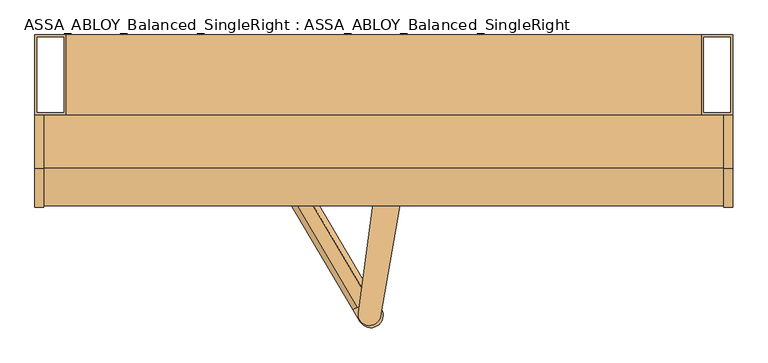
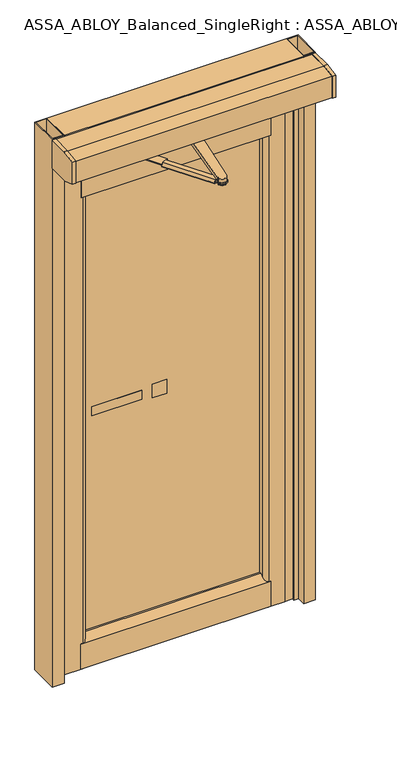
"""IFC4 building model written with IfcOpenShell, lengths in millimetres: door geometry, ASSA_ABLOY_Balanced_SingleRight : ASSA_ABLOY_Balanced_SingleRight."""

from ifc_helpers import new_model, si_unit, point, frame, frame_2d, origin, origin_with_axes, place, context, project, spatial, polyline, circle_curve, trimmed, segment, composite_curve, outline, extrude, source, transform, mapped, element, save
from ifc_brep_helpers import plane_surface, cylinder_surface, spline_surface, advanced_brep


def assa_abloy_balanced_singleright_assa_abloy_balanced_93a47e2f(model_context):
    return source(origin(), model_context, "Body", "SolidModel", [
        extrude(outline(polyline([(-309.6398593, 322.5413603), (-119.6398593, 322.5413603), (-119.6398593, 314.5412672), (-309.6398593, 314.5412672), (-309.6398593, 322.5413603)])), frame((0.0, 0.0, 981.5), z_axis=(0.0, 0.0, 1.0), x_axis=(1.0, 0.0, 0.0)), (0.0, 0.0, 1.0), 36.000001),
        extrude(outline(polyline([(-79.6398593, 322.5413603), (-24.6398593, 322.5413603), (-24.6398593, 314.5412672), (-79.6398593, 314.5412672), (-79.6398593, 322.5413603)])), frame((0.0, 0.0, 972.0), z_axis=(0.0, 0.0, 1.0), x_axis=(1.0, 0.0, 0.0)), (0.0, 0.0, 1.0), 54.9999995),
        extrude(outline(polyline([(-223.6999313, 276.4714979), (-223.6999313, 278.4707945), (-159.7003494, 278.4707945), (-159.7003494, 276.4714979), (-223.6999313, 276.4714979)])), frame((0.0, 0.0, 2026.0), z_axis=(0.0, 0.0, 1.0), x_axis=(1.0, 0.0, 0.0)), (0.0, 0.0, 1.0), 25.0),
        advanced_brep(
        [(19.200849, 217.8320723, 2038.0000229), (28.5607428, 210.3226469, 2038.0000229), (26.7364356, 198.4623243, 2038.0000229), (15.5533973, 194.1108458, 2038.0000229), (6.1935035, 201.6202711, 2038.0000229), (8.016648, 213.4811751, 2038.0000229), (19.960105, 222.7742125, 2043.0000084), (4.116886, 216.6100538, 2043.0000084), (1.5344855, 199.8070097, 2043.0000084), (14.7941413, 189.1687056, 2043.0000084), (30.6373603, 195.3334456, 2043.0000084), (33.2197608, 212.1359083, 2043.0000084)],
        [
            (0, 1),
            (1, 2),
            (2, 3),
            (3, 4),
            (4, 5),
            (5, 0),
            (6, 7),
            (7, 8),
            (8, 9),
            (9, 10),
            (10, 11),
            (11, 6),
            (11, 1),
            (0, 6),
            (10, 2),
            (9, 3),
            (8, 4),
            (7, 5),
        ],
        [
            plane_surface(frame((17.3769294, 205.9715559, 2038.0000229), z_axis=(0.0, 0.0, -1.0), x_axis=(-0.15192612714216885, -0.9883918513886998, 0.0))),
            plane_surface(frame((17.3771231, 205.9715559, 2043.0000084), z_axis=(0.0, 0.0, 1.0), x_axis=(-0.15192612714216885, -0.9883918513886998, 0.0))),
            spline_surface(1, 1, [[(19.960105, 222.7742125, 2043.0000084), (19.200849, 217.8320723, 2038.0000229)], [(33.2197608, 212.1359083, 2043.0000084), (28.5607428, 210.3226469, 2038.0000229)]], [2, 2], [2, 2], [0.0, 1.0], [0.0, 1.0]),
            spline_surface(1, 1, [[(33.2197608, 212.1359083, 2043.0000084), (28.5607428, 210.3226469, 2038.0000229)], [(30.6373603, 195.3334456, 2043.0000084), (26.7364356, 198.4623243, 2038.0000229)]], [2, 2], [2, 2], [0.0, 1.0], [0.0, 1.0]),
            spline_surface(1, 1, [[(30.6373603, 195.3334456, 2043.0000084), (26.7364356, 198.4623243, 2038.0000229)], [(14.7941413, 189.1687056, 2043.0000084), (15.5533973, 194.1108458, 2038.0000229)]], [2, 2], [2, 2], [0.0, 1.0], [0.0, 1.0]),
            spline_surface(1, 1, [[(14.7941413, 189.1687056, 2043.0000084), (15.5533973, 194.1108458, 2038.0000229)], [(1.5344855, 199.8070097, 2043.0000084), (6.1935035, 201.6202711, 2038.0000229)]], [2, 2], [2, 2], [0.0, 1.0], [0.0, 1.0]),
            spline_surface(1, 1, [[(1.5344855, 199.8070097, 2043.0000084), (6.1935035, 201.6202711, 2038.0000229)], [(4.116886, 216.6100538, 2043.0000084), (8.016648, 213.4811751, 2038.0000229)]], [2, 2], [2, 2], [0.0, 1.0], [0.0, 1.0]),
            spline_surface(1, 1, [[(4.116886, 216.6100538, 2043.0000084), (8.016648, 213.4811751, 2038.0000229)], [(19.960105, 222.7742125, 2043.0000084), (19.200849, 217.8320723, 2038.0000229)]], [2, 2], [2, 2], [0.0, 1.0], [0.0, 1.0]),
        ],
        [
            (0, [[1, 2, 3, 4, 5, 6]]),
            (1, [[7, 8, 9, 10, 11, 12]]),
            (2, [[-12, 13, -1, 14]]),
            (3, [[-11, 15, -2, -13]]),
            (4, [[-10, 16, -3, -15]]),
            (5, [[-9, 17, -4, -16]]),
            (6, [[-8, 18, -5, -17]]),
            (7, [[-7, -14, -6, -18]]),
        ],
    ),
        extrude(outline(polyline([(19.200849, 217.8320723), (28.5607428, 210.3226469), (26.7364356, 198.4623243), (15.5533973, 194.1108458), (6.1935035, 201.6202711), (8.016648, 213.4811751), (19.200849, 217.8320723)])), frame((0.0, 0.0, 2081.9999535), z_axis=(0.0, 0.0, 1.0), x_axis=(1.0, 0.0, 0.0)), (0.0, 0.0, 1.0), 3.0001076),
        extrude(outline(polyline([(14.641825, 188.1803938), (0.6019843, 199.4448225), (3.3367011, 217.2355971), (20.1124213, 223.7625242), (34.152262, 212.4986769), (31.4175452, 194.707321), (14.641825, 188.1803938)])), frame((0.0, 0.0, 2057.0000259), z_axis=(0.0, 0.0, 1.0), x_axis=(1.0, 0.0, 0.0)), (0.0, 0.0, 1.0), 24.9999275),
        advanced_brep(
        [(38.1334143, 202.7806654, 2057.0), (-3.441747, 208.6928662, 2057.0), (-36.4236168, -38.6943669, 2057.0), (-4.7953607, -43.556624, 2057.0), (38.1334143, 202.7806654, 2043.0), (-4.7953607, -43.556624, 2043.0), (-36.4236168, -38.6943669, 2043.0), (-3.4341123, 208.7507468, 2043.0)],
        [
            (0, 1, circle_curve(frame((17.3798287, 205.9758219, 2057.0), z_axis=(0.0, 0.0, 1.0), x_axis=(-0.17339034965221073, -0.9848531802494646, 0.0)), 20.9981033)),
            (1, 2),
            (2, 3, circle_curve(frame((-20.5608637, -40.809197, 2057.0), z_axis=(0.0, 0.0, 1.0), x_axis=(-0.17339034965221073, -0.9848531802494646, 0.0)), 16.0031072)),
            (3, 0),
            (4, 5),
            (5, 6, circle_curve(frame((-20.5608637, -40.809197, 2043.0), z_axis=(0.0, 0.0, -1.0), x_axis=(-0.17339034965221073, -0.9848531802494646, 0.0)), 16.0031072)),
            (6, 7),
            (7, 4, circle_curve(frame((17.3798287, 205.9758219, 2043.0), z_axis=(0.0, 0.0, -1.0), x_axis=(-0.17339034965221073, -0.9848531802494646, 0.0)), 20.9981033)),
            (0, 4),
            (7, 1),
            (6, 2),
            (5, 3),
        ],
        [
            plane_surface(frame((13.7389602, 185.2957731, 2057.0), z_axis=(0.0, 0.0, 1.0), x_axis=(0.9848531802494644, -0.17339034965221073, 0.0))),
            plane_surface(frame((13.7389602, 185.2957731, 2043.0), z_axis=(0.0, 0.0, -1.0), x_axis=(-0.9848531802494644, 0.17339034965221073, 0.0))),
            cylinder_surface(frame((17.3798287, 205.9758219, 2043.0), z_axis=(0.0, 0.0, 1.0000000000000002), x_axis=(-0.17339034965221073, -0.9848531802494646, 0.0)), 20.9981033),
            plane_surface(frame((-3.4341123, 208.7507468, 2057.0), z_axis=(-0.9912295680169351, 0.13215121448159395, 0.0), x_axis=(0.0, 0.0, -1.0))),
            cylinder_surface(frame((-20.5608637, -40.809197, 2043.0), z_axis=(0.0, 0.0, 1.0000000000000002), x_axis=(-0.17339034965221073, -0.9848531802494646, 0.0)), 16.0031072),
            plane_surface(frame((-4.7953607, -43.556624, 2057.0), z_axis=(0.9851526205497636, -0.1716808499045065, 0.0), x_axis=(0.0, 0.0, -1.0))),
        ],
        [
            (0, [[1, 2, 3, 4]]),
            (1, [[5, 6, 7, 8]]),
            (2, [[-1, 9, -8, 10]]),
            (3, [[-2, -10, -7, 11]]),
            (4, [[-3, -11, -6, 12]]),
            (5, [[-4, -12, -5, -9]]),
        ],
    ),
        extrude(outline(polyline([(-35.1086267, -41.2590898), (-27.9741784, -28.6354418), (-13.4750634, -28.5023104), (-6.1103967, -40.9922457), (-13.2436822, -53.6158937), (-27.7439599, -53.7490251), (-35.1086267, -41.2590898)])), frame((0.0, 0.0, 2028.9999908), z_axis=(0.0, 0.0, 1.0), x_axis=(1.0, 0.0, 0.0)), (0.0, 0.0, 1.0), 19.0000031),
        extrude(outline(polyline([(-166.9750593, 16.0761379), (-156.4408619, 8.2400974), (-156.4408619, -10.3523105), (-167.0051961, -18.3131074), (-169.0004852, -18.3131074), (-169.0004852, 16.0761379), (-166.9750593, 16.0761379)])), frame((-28.5405591, -25.0553376, 2200.0), z_axis=(-0.5079298998646433, 0.8613984077205468, 0.0), x_axis=(0.0, 0.0, 1.0)), (0.0, 0.0, 1.0), 200.0782595),
        extrude(outline(composite_curve([segment(trimmed(circle_curve(frame_2d((-192.1729967, 252.3585271)), 17.4996257), [point((-207.2471465, 243.4699439))], [point((-177.098847, 261.2471102))], False, "CARTESIAN"), True, "CONTINUOUS"), segment(polyline([(-177.098847, 261.2471102), (-115.1316991, 156.1570132), (-145.2799986, 138.3798469), (-207.2471465, 243.4699439)]), True, "CONTINUOUS")], self_intersect=False)), frame((0.0, 0.0, 2036.5), z_axis=(0.0, 0.0, 1.0), x_axis=(1.0, 0.0, 0.0)), (0.0, 0.0, 1.0), 4.0),
        extrude(outline(composite_curve([segment(polyline([(-13.387942, -16.2115029), (-3.3851714, -33.3497872)]), True, "CONTINUOUS"), segment(trimmed(circle_curve(frame_2d((-18.5377884, -42.1936219)), 17.5446635), [point((-3.3851714, -33.3497872))], [point((-33.6904055, -51.0374566))], False, "CARTESIAN"), True, "CONTINUOUS"), segment(polyline([(-33.6904055, -51.0374566), (-43.6931761, -33.8991723), (-13.387942, -16.2115029)]), True, "CONTINUOUS")], self_intersect=False)), frame((0.0, 0.0, 2036.5), z_axis=(0.0, 0.0, 1.0), x_axis=(1.0, 0.0, 0.0)), (0.0, 0.0, 1.0), 4.0),
        extrude(outline(polyline([(-206.1998367, 253.3386076), (-198.9714516, 266.127878), (-184.5842681, 266.127878), (-177.200444, 253.6048704), (-184.4104656, 240.848091), (-198.83517, 240.848091), (-206.1998367, 253.3386076)])), frame((0.0, 0.0, 2029.0), z_axis=(0.0, 0.0, 1.0), x_axis=(1.0, 0.0, 0.0)), (0.0, 0.0, 1.0), 19.0),
        extrude(outline(polyline([(-199.200264, 253.4025572), (-195.5097916, 259.9318098), (-187.9694611, 259.9318098), (-184.2011795, 253.5403395), (-187.9295799, 246.941905), (-195.3900314, 246.941905), (-199.200264, 253.4025572)])), frame((0.0, 0.0, 2026.0), z_axis=(0.0, 0.0, 1.0), x_axis=(1.0, 0.0, 0.0)), (0.0, 0.0, 1.0), 3.0),
        extrude(outline(polyline([(-199.200264, 253.4025572), (-195.5097916, 259.9318098), (-187.9706114, 259.9318098), (-184.2013107, 253.5405621), (-187.931012, 246.941905), (-195.3900314, 246.941905), (-199.200264, 253.4025572)])), frame((0.0, 0.0, 2048.0), z_axis=(0.0, 0.0, 1.0), x_axis=(1.0, 0.0, 0.0)), (0.0, 0.0, 1.0), 3.0),
        extrude(outline(composite_curve([segment(polyline([(-159.7003494, 272.4717421), (-179.0852127, 247.6250029)]), True, "CONTINUOUS"), segment(trimmed(circle_curve(frame_2d((-191.7001404, 257.4668838)), 15.9999694), [point((-179.0852127, 247.6250029))], [point((-204.3150681, 247.6250029))], False, "CARTESIAN"), True, "CONTINUOUS"), segment(polyline([(-204.3150681, 247.6250029), (-223.6999313, 272.4717421), (-223.6999313, 278.4707945), (-159.7003494, 278.4707945), (-159.7003494, 272.4717421)]), True, "CONTINUOUS")], self_intersect=False)), frame((0.0, 0.0, 2024.0), z_axis=(0.0, 0.0, 1.0), x_axis=(1.0, 0.0, 0.0)), (0.0, 0.0, 1.0), 2.0),
        extrude(outline(composite_curve([segment(polyline([(-159.7003494, 278.4707945), (-159.7003494, 272.4717421), (-179.0852127, 247.6250029)]), True, "CONTINUOUS"), segment(trimmed(circle_curve(frame_2d((-191.7001404, 257.4668838)), 15.9999694), [point((-179.0852127, 247.6250029))], [point((-204.3150681, 247.6250029))], False, "CARTESIAN"), True, "CONTINUOUS"), segment(polyline([(-204.3150681, 247.6250029), (-223.6999313, 272.4717421), (-223.6999313, 278.4707945), (-159.7003494, 278.4707945)]), True, "CONTINUOUS")], self_intersect=False)), frame((0.0, 0.0, 2051.0), z_axis=(0.0, 0.0, 1.0), x_axis=(1.0, 0.0, 0.0)), (0.0, 0.0, 1.0), 2.0),
        extrude(outline(polyline([(328.0006149, 322.5413603), (328.0006149, 314.5412672), (-349.6405136, 314.5412672), (-349.6405136, 322.5413603), (328.0006149, 322.5413603)])), frame((0.0, 0.0, 129.560006), z_axis=(0.0, 0.0, 1.0), x_axis=(1.0, 0.0, 0.0)), (0.0, 0.0, 1.0), 1748.4400446),
        extrude(outline(polyline([(306.5353605, 1878.0007774), (278.4707945, 1899.6057202), (278.4707945, 2052.9999794), (326.4725157, 2052.9999794), (326.4725157, 1878.0000507), (306.5353605, 1878.0007774)])), frame((-371.6356827, 0.0, 0.0), z_axis=(1.0, 0.0, 0.0), x_axis=(0.0, 1.0, 0.0)), (0.0, 0.0, 1.0), 721.6362976),
        extrude(outline(polyline([(326.471353, 6.5600011), (278.4707945, 6.5600011), (278.4707945, 107.9543002), (306.5363989, 129.560006), (326.471353, 129.560006), (326.471353, 6.5600011)])), frame((-372.0158432, 0.0, 0.0), z_axis=(1.0, 0.0, 0.0), x_axis=(0.0, 1.0, 0.0)), (0.0, 0.0, 1.0), 722.0164581),
        extrude(outline(composite_curve([segment(polyline([(-364.6405136, 278.4707945), (-445.7590652, 278.4707945), (-445.7590652, 280.4706724), (-431.2297195, 280.4706724), (-431.2297195, 318.4706785), (-423.6394852, 318.4706785), (-423.6394852, 326.471353), (-349.6405136, 326.471353), (-349.6405136, 293.4707945)]), True, "CONTINUOUS"), segment(trimmed(circle_curve(frame_2d((-364.6405136, 293.4707945)), 15.0), [point((-349.6405136, 293.4707945))], [point((-364.6405136, 278.4707945))], False, "CARTESIAN"), True, "CONTINUOUS")], self_intersect=False)), frame((0.0, 0.0, 6.5600011), z_axis=(0.0, 0.0, 1.0), x_axis=(1.0, 0.0, 0.0)), (0.0, 0.0, 1.0), 2046.4399783),
        extrude(outline(composite_curve([segment(polyline([(419.9996506, 305.4912382), (433.0000198, 299.8973936), (433.0000198, 279.9712843), (401.9995865, 279.9712843), (401.9995865, 278.4713759), (343.0007826, 278.4707162)]), True, "CONTINUOUS"), segment(trimmed(circle_curve(frame_2d((343.0006149, 293.4707162)), 15.0), [point((343.0007826, 278.4707162))], [point((328.0006149, 293.4707162))], False, "CARTESIAN"), True, "CONTINUOUS"), segment(polyline([(328.0006149, 293.4707162), (328.0006149, 326.4725157), (401.9995865, 326.4725157), (401.9995865, 324.9714445), (419.9996506, 324.9714445), (419.9996506, 305.4912382)]), True, "CONTINUOUS")], self_intersect=False)), frame((0.0, 0.0, 6.5600011), z_axis=(0.0, 0.0, 1.0), x_axis=(1.0, 0.0, 0.0)), (0.0, 0.0, 1.0), 2046.4399783),
        extrude(outline(polyline([(245.4716459, 2196.9999107), (245.4716459, 2083.0000378), (159.4716627, 2083.0000378), (112.4716246, 2099.6105064), (112.4716246, 2188.4780472), (168.4716948, 2197.0002014), (245.4716459, 2196.9999107)])), frame((-500.0, 0.0, 0.0), z_axis=(1.0, 0.0, 0.0), x_axis=(0.0, 1.0, 0.0)), (0.0, 0.0, 1.0), 13.0003555),
        extrude(outline(polyline([(168.4716948, 2197.0002014), (245.4716459, 2196.9999107), (245.4716459, 2083.0000378), (159.4716627, 2083.0000378), (112.4716246, 2099.6105064), (112.4716246, 2188.4780472), (168.4716948, 2197.0002014)])), frame((487.0002121, 0.0, 0.0), z_axis=(1.0, 0.0, 0.0), x_axis=(0.0, 1.0, 0.0)), (0.0, 0.0, 1.0), 12.9997879),
        extrude(outline(polyline([(168.4716948, 2195.0000328), (245.4716459, 2195.0000328), (245.4716459, 2085.000061), (159.4716627, 2085.000061), (114.4715025, 2100.5741104), (114.4715025, 2186.9999397), (168.4716948, 2195.0000328)])), frame((-486.9996445, 0.0, 0.0), z_axis=(1.0, 0.0, 0.0), x_axis=(0.0, 1.0, 0.0)), (0.0, 0.0, 1.0), 973.9998566),
        extrude(outline(polyline([(359.4716643, 2199.999873), (359.4716643, 2059.9998611), (245.4591276, 2059.9998611), (245.4591276, 2199.999873), (359.4716643, 2199.999873)]), holes=[polyline([(356.471266, 2062.9999504), (356.471266, 2196.9999107), (248.4589445, 2196.9999107), (248.4589445, 2062.9999504), (356.471266, 2062.9999504)])]), frame((-455.0004349, 0.0, 0.0), z_axis=(1.0, 0.0, 0.0), x_axis=(0.0, 1.0, 0.0)), (0.0, 0.0, 1.0), 910.0002747),
        extrude(outline(polyline([(-448.5008392, 278.4928862), (-455.0004349, 278.4928862), (-455.0004349, 326.471353), (-426.3905609, 326.471353), (-426.3905609, 324.4726378), (-440.9199066, 324.4726378), (-440.9199066, 286.4726317), (-448.5008392, 286.4726317), (-448.5008392, 278.4928862)])), origin_with_axes(), (0.0, 0.0, 1.0), 2059.9999882),
        extrude(outline(polyline([(424.0005692, 324.9714445), (454.9998398, 324.9714445), (454.9998398, 279.9712843), (436.9997757, 279.9712843), (436.9997757, 299.4514906), (424.0005692, 305.0453352), (424.0005692, 324.9714445)])), origin_with_axes(), (0.0, 0.0, 1.0), 2059.9999882),
        extrude(outline(polyline([(-500.0, 245.4716459), (-500.0, 359.4716643), (-455.0004349, 359.4716643), (-455.0004349, 245.4716459), (-500.0, 245.4716459)]), holes=[polyline([(-496.5002274, 355.9718779), (-496.5002274, 248.9720137), (-458.5002213, 248.9720137), (-458.5002213, 355.9718779), (-496.5002274, 355.9718779)])]), origin_with_axes(), (0.0, 0.0, 1.0), 2200.0),
        extrude(outline(polyline([(500.0, 359.4716643), (500.0, 245.4716459), (454.9998398, 245.4716459), (454.9998398, 359.4716643), (500.0, 359.4716643)]), holes=[polyline([(458.4996262, 355.9718779), (458.4996262, 248.9720137), (496.5002136, 248.9720137), (496.5002136, 355.9718779), (458.4996262, 355.9718779)])]), origin_with_axes(), (0.0, 0.0, 1.0), 2200.0),
    ])


if __name__ == "__main__":
    model = new_model("IFC4")
    model_context = context("Model", 3, world=origin())
    ifc_project = project(units=[si_unit("LENGTHUNIT", "METRE", prefix="MILLI")], contexts=[model_context])
    site = spatial("IfcSite", under=ifc_project)
    building = spatial("IfcBuilding", under=site)
    placement = place(None, origin())
    assa_abloy_balanced_singleright_assa_abloy_balanced_shape = assa_abloy_balanced_singleright_assa_abloy_balanced_93a47e2f(model_context)
    element("IfcDoor", 1, ObjectType="ASSA_ABLOY_Balanced_SingleRight : ASSA_ABLOY_Balanced_SingleRight", at=placement, inside=building, context=model_context, shape_type="MappedRepresentation", body=[
        mapped(assa_abloy_balanced_singleright_assa_abloy_balanced_shape, transform((0.0, 0.0, 0.0), x_axis=(1.0, 0.0, 0.0), y_axis=(0.0, 1.0, 0.0), z_axis=(0.0, 0.0, 1.0))),
    ])
    save(model, "model.ifc")
